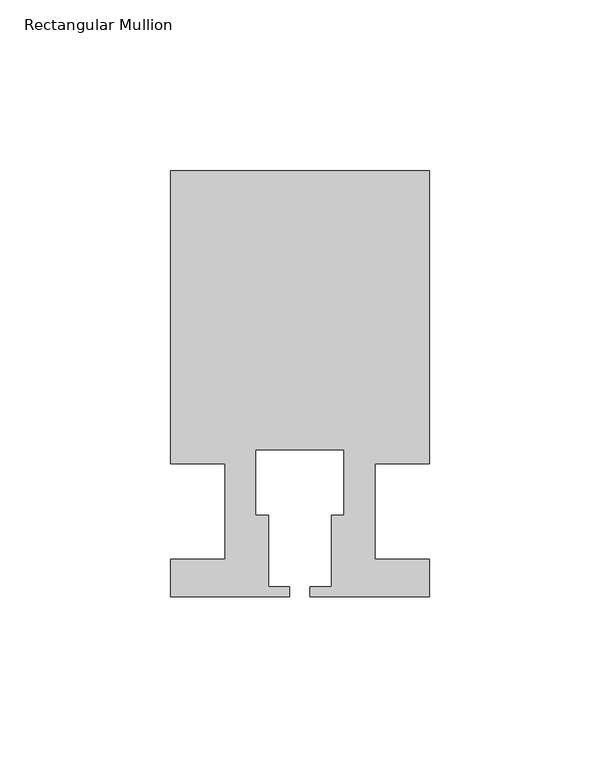
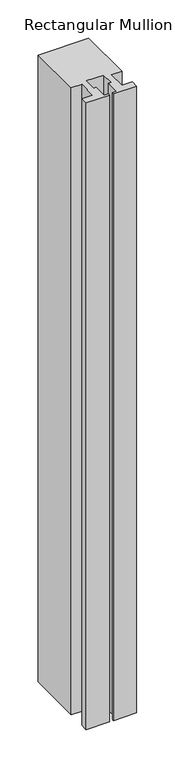
"""IFC4 building model written with IfcOpenShell, lengths in millimetres: member geometry, Rectangular Mullion."""

from ifc_helpers import new_model, si_unit, frame, origin, place, context, project, spatial, polyline, outline, extrude, source, transform, mapped, element, save


def rectangular_mullion_2be801e1(model_context):
    return source(origin(), model_context, "Body", "SweptSolid", [
        extrude(outline(polyline([(37.9999914, 99.9960123), (37.9999914, 13.9960123), (21.9999651, 13.9960123), (21.9999651, -14.0039877), (37.9999896, -14.0039877), (37.9999896, -25.0039877), (2.9999651, -25.0039877), (2.9999651, -22.0039877), (9.1999651, -22.0039877), (9.1999651, -1.0039877), (12.9999651, -1.0039877), (12.9999651, 18.1960075), (-12.9999633, 18.1960075), (-12.9999633, -1.0039877), (-9.1999633, -1.0039877), (-9.1999633, -22.0039877), (-2.9999896, -22.0039877), (-2.9999896, -25.0039877), (-37.9999896, -25.0039877), (-37.9999896, -14.0039877), (-21.9999633, -14.0039877), (-21.9999633, 13.9960123), (-37.9999896, 13.9960123), (-37.9999896, 99.9960123), (37.9999914, 99.9960123)])), frame((0.0, 0.0, -995.9865328), z_axis=(0.0, 0.0, 1.0), x_axis=(1.0, 0.0, 0.0)), (0.0, 0.0, 1.0), 995.9865328),
    ])


if __name__ == "__main__":
    model = new_model("IFC4")
    model_context = context("Model", 3, world=origin())
    ifc_project = project(units=[si_unit("LENGTHUNIT", "METRE", prefix="MILLI")], contexts=[model_context])
    site = spatial("IfcSite", under=ifc_project)
    building = spatial("IfcBuilding", under=site)
    placement = place(None, origin())
    rectangular_mullion_shape = rectangular_mullion_2be801e1(model_context)
    element("IfcMember", 1, ObjectType="Rectangular Mullion", at=placement, inside=building, context=model_context, shape_type="MappedRepresentation", body=[
        mapped(rectangular_mullion_shape, transform((0.0, 0.0, 0.0), x_axis=(1.0, 0.0, 0.0), y_axis=(0.0, 1.0, 0.0), z_axis=(0.0, 0.0, 1.0))),
    ])
    save(model, "model.ifc")
